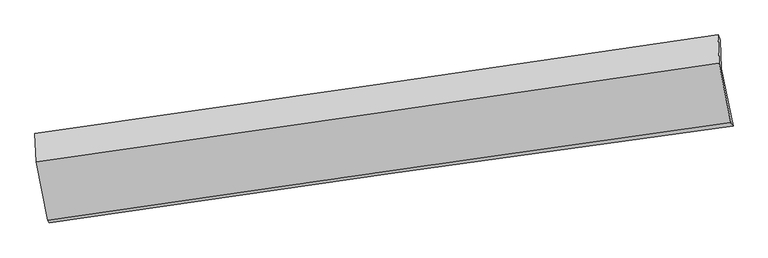
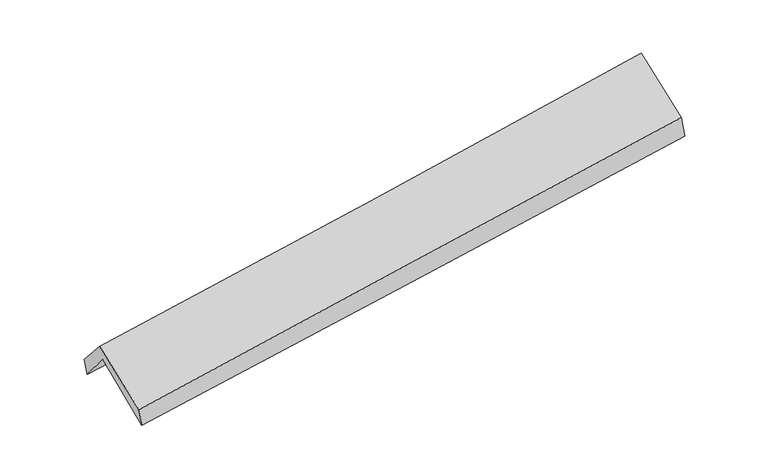
"""IFC4 building model written with IfcOpenShell, lengths in millimetres: proxy geometry."""

from ifc_helpers import new_model, si_unit, frame, origin, place, context, project, spatial, source, transform, mapped, element, save
from ifc_brep_helpers import plane_surface, spline_curve, spline_surface, advanced_brep


def generic_models_a357c32f(model_context):
    return source(origin(), model_context, "Body", "AdvancedBrep", [
        advanced_brep(
        [(-2902.4993308, -2506.3932068, 1460.0384059), (-3004.649, -2006.0586866, 1893.6164198), (2944.4214103, -1163.9508033, 2381.2258487), (3046.471671, -1663.8398607, 1948.1392764), (-3013.8823667, -1753.3172848, 1584.8275399), (2936.2181696, -913.8194113, 2063.9803358), (-3029.4412875, -1728.7525052, 1737.4683935), (2915.5126161, -868.7167555, 2246.2983283), (-3018.7928236, -1977.5655858, 2022.0406392), (2925.1679098, -1116.4547639, 2541.4407235), (-2917.94541, -2487.4959017, 1620.7771804), (3027.9797983, -1634.9134248, 2130.0048737)],
        [
            (0, 1),
            (1, 2, spline_curve(3, [(-3004.649, -2006.0586866, 1893.6164198), (-2013.24406163, -1859.576858409, 1966.056987182), (-1021.790500316, -1716.160933745, 2042.910956195), (961.232967863, -1435.458187746, 2205.447262544), (1952.80287664, -1298.171484648, 2291.129769934), (2944.4214103, -1163.9508033, 2381.2258487)], [4, 2, 4], [0.0, 9.888740714260669, 19.77767192570371])),
            (2, 3),
            (3, 0, spline_curve(3, [(3046.471671, -1663.8398607, 1948.1392764), (2055.048207715, -1799.031542466, 1857.241265635), (1063.584117266, -1936.840863869, 1771.116842231), (-919.406218039, -2217.692080192, 1608.416735885), (-1910.932461664, -2360.733874289, 1531.840869325), (-2902.4993308, -2506.3932068, 1460.0384059)], [4, 2, 4], [0.0, 9.888931211443042, 19.77767192570371])),
            (1, 4),
            (4, 5, spline_curve(3, [(-3013.8823667, -1753.3172848, 1584.8275399), (-2020.722463024, -1615.91422104, 1650.628777883), (-1028.305568304, -1477.255219154, 1723.458344144), (955.061305558, -1197.422643117, 1883.175672243), (1946.011256719, -1056.249020422, 1970.06370427), (2936.2181696, -913.8194113, 2063.9803358)], [4, 2, 4], [0.0, 9.888709524737727, 19.77760954605699])),
            (5, 2),
            (4, 6),
            (6, 7, spline_curve(3, [(-3029.4412875, -1728.7525052, 1737.4683935), (-2037.293831561, -1588.997448407, 1811.938691933), (-1045.812043379, -1447.450981451, 1891.575877405), (935.839283309, -1160.772467481, 2061.185656665), (1926.00879671, -1015.64035092, 2151.158449302), (2915.5126161, -868.7167555, 2246.2983283)], [4, 2, 4], [0.0, 9.888881494910924, 19.777953489716225])),
            (7, 5),
            (6, 8),
            (8, 9, spline_curve(3, [(-3018.7928236, -1977.5655858, 2022.0406392), (-2027.136405983, -1837.415267561, 2101.965492091), (-1035.982902249, -1695.581580614, 2185.210810002), (945.33736139, -1408.544704867, 2358.344043806), (1935.504102273, -1263.341451205, 2448.232087084), (2925.1679098, -1116.4547639, 2541.4407235)], [4, 2, 4], [0.0, 9.88911772763789, 19.778425959720956])),
            (9, 7),
            (8, 10),
            (10, 11, spline_curve(3, [(-2917.94541, -2487.4959017, 1620.7771804), (-1927.375577599, -2341.177123265, 1703.894920197), (-936.601668621, -2196.969858235, 1787.889013992), (1045.373393269, -1912.775617625, 1957.631544957), (2036.574553366, -1772.788723872, 2043.380015475), (3027.9797983, -1634.9134248, 2130.0048737)], [4, 2, 4], [0.0, 9.888962695140394, 19.77811589173941])),
            (11, 9),
            (10, 0),
            (3, 11),
        ],
        [
            spline_surface(3, 3, [[(-2902.4993308, -2506.3932068, 1460.0384059), (-1910.932461595, -2360.733874212, 1531.840869377), (-919.40621814, -2217.692080134, 1608.416735922), (1063.584117367, -1936.840863926, 1771.116842194), (2055.048207829, -1799.031542621, 1857.241265782), (3046.471671, -1663.8398607, 1948.1392764)], [(-2936.549220522, -2339.615033396, 1604.564410529), (-1945.036328233, -2193.681535586, 1676.57957535), (-953.534312204, -2050.515031306, 1753.248142699), (1029.467067542, -1769.713305209, 1915.893648972), (2020.966430814, -1632.078189975, 2001.870767135), (3012.454917433, -1497.210174903, 2092.501467164)], [(-2970.599110278, -2172.836860004, 1749.090415171), (-1979.140194905, -2026.629196973, 1821.318281334), (-987.662406275, -1883.337982511, 1898.079549455), (995.35001771, -1602.585746525, 2060.670455729), (1986.884653801, -1465.124837319, 2146.500268495), (2978.438163867, -1330.580489097, 2236.863657936)], [(-3004.649, -2006.0586866, 1893.6164198), (-2013.244061543, -1859.576858347, 1966.056987307), (-1021.790500338, -1716.160933683, 2042.910956231), (961.232967885, -1435.458187808, 2205.447262508), (1952.802876786, -1298.171484673, 2291.129769847), (2944.4214103, -1163.9508033, 2381.2258487)]], [4, 4], [4, 2, 4], [0.0, 2.2024487252047047], [0.0, 9.888740714260669, 19.77767192570371]),
            spline_surface(3, 3, [[(-3004.649, -2006.0586866, 1893.6164198), (-2013.244061543, -1859.576858347, 1966.056987307), (-1021.790500338, -1716.160933683, 2042.910956231), (961.232967885, -1435.458187808, 2205.447262508), (1952.802876786, -1298.171484673, 2291.129769847), (2944.4214103, -1163.9508033, 2381.2258487)], [(-3007.726788902, -1921.811552689, 1790.68679318), (-2015.736861994, -1778.355979309, 1860.91425086), (-1023.962189685, -1636.525695529, 1936.426752264), (959.175747157, -1356.113006241, 2098.023399066), (1950.539003406, -1217.530663304, 2184.107748033), (2941.686996753, -1080.573672635, 2275.477344403)], [(-3010.804577798, -1837.564418711, 1687.75716652), (-2018.229662438, -1697.135100203, 1755.771514373), (-1026.133879066, -1556.890457347, 1829.942548235), (957.118526394, -1276.767824645, 1990.59953556), (1948.275129967, -1136.889841929, 2077.085726209), (2938.952583147, -997.196541965, 2169.728840097)], [(-3013.8823667, -1753.3172848, 1584.8275399), (-2020.722462889, -1615.914221165, 1650.628777926), (-1028.305568413, -1477.255219193, 1723.458344268), (955.061305667, -1197.422643078, 1883.175672118), (1946.011256586, -1056.249020559, 1970.063704394), (2936.2181696, -913.8194113, 2063.9803358)]], [4, 4], [4, 2, 4], [0.0, 1.3117657093109996], [0.0, 9.888709524737727, 19.77760954605699]),
            spline_surface(3, 3, [[(-3013.8823667, -1753.3172848, 1584.8275399), (-2020.722462889, -1615.914221165, 1650.628777926), (-1028.305568413, -1477.255219193, 1723.458344268), (955.061305667, -1197.422643078, 1883.175672118), (1946.011256586, -1056.249020559, 1970.063704394), (2936.2181696, -913.8194113, 2063.9803358)], [(-3019.068673615, -1745.129024928, 1635.707824446), (-2026.246252388, -1606.941963533, 1704.398749256), (-1034.141060097, -1467.320473334, 1779.497521994), (948.653964902, -1185.205917848, 1942.512333619), (1939.34376992, -1042.712797309, 2030.42861937), (2929.316318423, -898.785192686, 2124.752999955)], [(-3024.254980585, -1736.940765072, 1686.588108954), (-2031.770041941, -1597.969705917, 1758.168720548), (-1039.97655177, -1457.385727439, 1835.536699721), (942.246624148, -1172.989192583, 2001.848995122), (1932.676283283, -1029.176574102, 2090.793534381), (2922.414467277, -883.750974114, 2185.525664145)], [(-3029.4412875, -1728.7525052, 1737.4683935), (-2037.29383144, -1588.997448285, 1811.938691878), (-1045.812043454, -1447.450981579, 1891.575877446), (935.839283384, -1160.772467353, 2061.185656624), (1926.008796616, -1015.640350852, 2151.158449356), (2915.5126161, -868.7167555, 2246.2983283)]], [4, 4], [4, 2, 4], [0.0, 0.581295908073688], [0.0, 9.888881494910924, 19.777953489716225]),
            spline_surface(3, 3, [[(-3029.4412875, -1728.7525052, 1737.4683935), (-2037.29383144, -1588.997448285, 1811.938691878), (-1045.812043454, -1447.450981579, 1891.575877446), (935.839283384, -1160.772467353, 2061.185656624), (1926.008796616, -1015.640350852, 2151.158449356), (2915.5126161, -868.7167555, 2246.2983283)], [(-3025.891799547, -1811.69019874, 1832.325808728), (-2033.908023006, -1671.803388039, 1908.614291966), (-1042.535663097, -1530.161181265, 1989.45418833), (939.005309412, -1243.363213185, 2160.238452278), (1929.173898482, -1098.207384287, 2250.182995274), (2918.731047336, -951.296091643, 2344.679126702)], [(-3022.342311553, -1894.62789226, 1927.183223972), (-2030.522214533, -1754.609327773, 2005.28989207), (-1039.259282711, -1612.871380948, 2087.332499275), (942.171335468, -1325.953959015, 2259.291247994), (1932.339000337, -1180.774417693, 2349.207541186), (2921.949478564, -1033.875427757, 2443.059925098)], [(-3018.7928236, -1977.5655858, 2022.0406392), (-2027.1364061, -1837.415267527, 2101.965492159), (-1035.982902355, -1695.581580633, 2185.210810158), (945.337361496, -1408.544704847, 2358.344043649), (1935.504102203, -1263.341451128, 2448.232087104), (2925.1679098, -1116.4547639, 2541.4407235)]], [4, 4], [4, 2, 4], [0.0, 1.2657091509784373], [0.0, 9.88911772763789, 19.778425959720956]),
            spline_surface(3, 3, [[(-3018.7928236, -1977.5655858, 2022.0406392), (-2027.1364061, -1837.415267527, 2101.965492159), (-1035.982902355, -1695.581580633, 2185.210810158), (945.337361496, -1408.544704847, 2358.344043649), (1935.504102203, -1263.341451128, 2448.232087104), (2925.1679098, -1116.4547639, 2541.4407235)], [(-2985.177019064, -2147.542357738, 1888.286152913), (-1993.882796564, -2005.335886037, 1969.275301517), (-1002.855824368, -1862.711006437, 2052.770211492), (978.682705387, -1576.621675806, 2224.773210713), (1969.194252628, -1433.157208685, 2313.281396532), (2959.43853929, -1289.274317514, 2404.295440235)], [(-2951.561214536, -2317.519129762, 1754.531666687), (-1960.629187035, -2173.256504633, 1836.585110936), (-969.728746445, -2029.840432287, 1920.3296128), (1012.028049215, -1744.698646811, 2091.202377751), (2002.884403084, -1602.9729663, 2178.330705955), (2993.70916881, -1462.093871186, 2267.150156965)], [(-2917.94541, -2487.4959017, 1620.7771804), (-1927.375577499, -2341.177123143, 1703.894920293), (-936.601668459, -2196.969858091, 1787.889014134), (1045.373393107, -1912.77561777, 1957.631544815), (2036.57455351, -1772.788723858, 2043.380015383), (3027.9797983, -1634.9134248, 2130.0048737)]], [4, 4], [4, 2, 4], [0.0, 2.1312181390401803], [0.0, 9.888962695140394, 19.77811589173941]),
            spline_surface(3, 3, [[(-2917.94541, -2487.4959017, 1620.7771804), (-1927.375577499, -2341.177123143, 1703.894920293), (-936.601668459, -2196.969858091, 1787.889014134), (1045.373393107, -1912.77561777, 1957.631544815), (2036.57455351, -1772.788723858, 2043.380015383), (3027.9797983, -1634.9134248, 2130.0048737)], [(-2912.796716949, -2493.795003409, 1567.197588903), (-1921.89453888, -2347.696040175, 1646.543569991), (-930.869851708, -2203.877265444, 1728.064921381), (1051.443634504, -1920.797366494, 1895.459977258), (2042.732438281, -1781.53633013, 1981.333765524), (3034.143755865, -1644.555570118, 2069.383007941)], [(-2907.648023851, -2500.094105091, 1513.617997397), (-1916.413500214, -2354.21495718, 1589.192219679), (-925.13803489, -2210.784672781, 1668.240828675), (1057.51387597, -1928.819115202, 1833.28840975), (2048.890323058, -1790.283936348, 1919.287515641), (3040.307713435, -1654.197715382, 2008.761142159)], [(-2902.4993308, -2506.3932068, 1460.0384059), (-1910.932461595, -2360.733874212, 1531.840869377), (-919.40621814, -2217.692080134, 1608.416735922), (1063.584117367, -1936.840863926, 1771.116842194), (2055.048207829, -1799.031542621, 1857.241265782), (3046.471671, -1663.8398607, 1948.1392764)]], [4, 4], [4, 2, 4], [0.0, 0.6076335396227164], [0.0, 9.888760178521586, 19.777710854600507]),
            plane_surface(frame((2965.9619292, -1226.9491699, 2218.5148977), z_axis=(0.9879410981105146, 0.13297980542399046, 0.07930168985329708), x_axis=(0.1534934767968184, -0.774035217251409, -0.6142550244282815))),
            plane_surface(frame((-2981.2017031, -2076.5971952, 1719.7947631), z_axis=(-0.9879410981103872, -0.1329798054284053, -0.0793016898474794), x_axis=(-0.09500532758977147, 0.11623303534594387, 0.9886677243765111))),
        ],
        [
            (0, [[1, 2, 3, 4]]),
            (1, [[5, 6, 7, -2]]),
            (2, [[8, 9, 10, -6]]),
            (3, [[11, 12, 13, -9]]),
            (4, [[14, 15, 16, -12]]),
            (5, [[17, -4, 18, -15]]),
            (6, [[-16, -18, -3, -7, -10, -13]]),
            (7, [[-17, -14, -11, -8, -5, -1]]),
        ],
    ),
    ])


if __name__ == "__main__":
    model = new_model("IFC4")
    model_context = context("Model", 3, world=origin())
    ifc_project = project(units=[si_unit("LENGTHUNIT", "METRE", prefix="MILLI")], contexts=[model_context])
    site = spatial("IfcSite", under=ifc_project)
    building = spatial("IfcBuilding", under=site)
    placement = place(None, origin())
    generic_models_shape = generic_models_a357c32f(model_context)
    element("IfcBuildingElementProxy", 1, Name="Generic Models", at=placement, inside=building, context=model_context, shape_type="MappedRepresentation", body=[
        mapped(generic_models_shape, transform((0.0, 0.0, 0.0), x_axis=(1.0, 0.0, 0.0), y_axis=(0.0, 1.0, 0.0), z_axis=(0.0, 0.0, 1.0))),
    ])
    save(model, "model.ifc")
